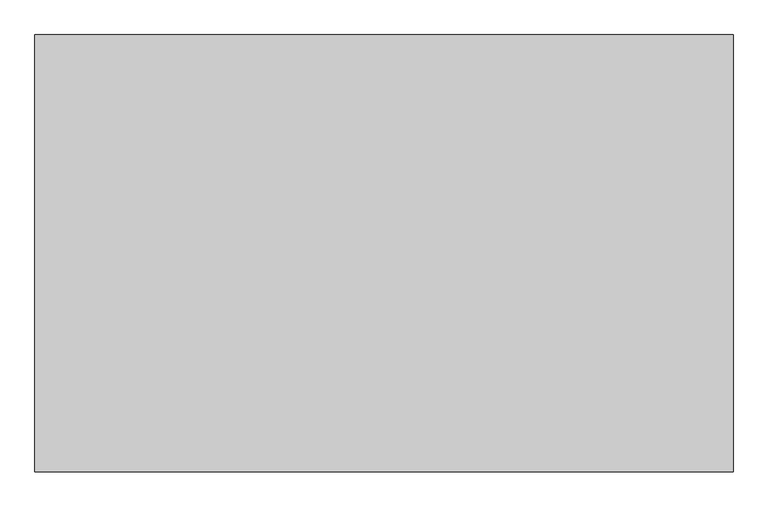
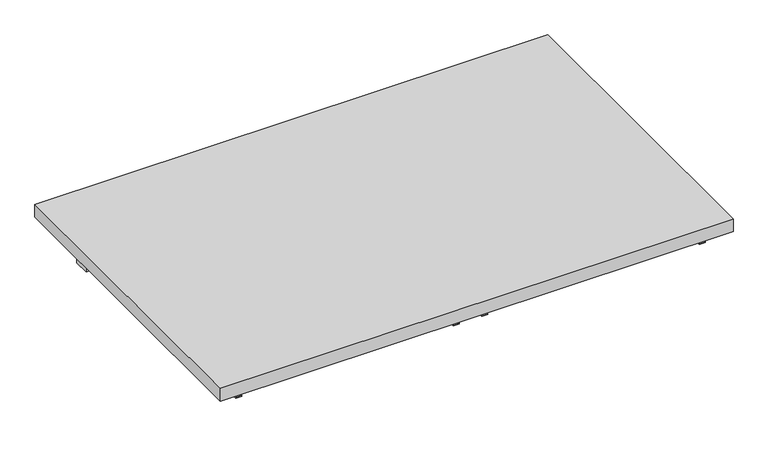
"""IFC4 building model written with IfcOpenShell, lengths in millimetres: furniture geometry."""

import ifcopenshell
import ifcopenshell.guid

model = None  # the IFC model being written
_history = None  # IfcOwnerHistory: only IFC2X3 demands one
_inside = {}  # id of a spatial element -> (the spatial element, [elements in it])
_under = {}  # id of a project, library or spatial element -> (it, [spatial elements below it])
_declared = {}  # id of a project -> (the project, [libraries it declares])
_typed = {}  # id of a type object -> (the type object, [elements of that type])
_made_of = {}  # id of a material, layer set ... -> (it, [elements and type objects made of it])


def new_model(schema):
    """Start an empty IFC model of exactly this schema.

    Asked for "IFC4X3", IfcOpenShell would pick the latest addendum, in which some entities
    have other attributes; the version numbers below select the first issue.
    IFC2X3 requires an IfcOwnerHistory on every rooted entity: one is made here for all.
    """
    global model, _history
    if schema == "IFC4X3":
        model = ifcopenshell.file(schema_version=(4, 3, 0, 0))
    else:
        model = ifcopenshell.file(schema=schema)
    _inside.clear()
    _under.clear()
    _declared.clear()
    _typed.clear()
    _made_of.clear()
    _history = None
    if model.schema == "IFC2X3":
        org = make("IfcOrganization", Name="unknown")
        user = make(
            "IfcPersonAndOrganization",
            ThePerson=make("IfcPerson", FamilyName="unknown"),
            TheOrganization=org,
        )
        app = make(
            "IfcApplication",
            ApplicationDeveloper=org,
            Version="unknown",
            ApplicationFullName="unknown",
            ApplicationIdentifier="unknown",
        )
        _history = make(
            "IfcOwnerHistory",
            OwningUser=user,
            OwningApplication=app,
            ChangeAction="ADDED",
            CreationDate=0,
        )
    return model


def make(cls, **values):
    """One entity of the class cls with the attributes given. An attribute that is None is left unset."""
    return model.create_entity(
        cls, **{name: value for name, value in values.items() if value is not None}
    )


def rooted(cls, **values):
    """An entity with a GlobalId (a new one), such as an element, a storey or a relation."""
    return make(cls, GlobalId=ifcopenshell.guid.new(), OwnerHistory=_history, **values)


def si_unit(unit_type, name, prefix=None):
    """IfcSIUnit, for example si_unit("LENGTHUNIT", "METRE", prefix="MILLI")."""
    return make("IfcSIUnit", UnitType=unit_type, Prefix=prefix, Name=name)


def assignment(units):
    """IfcUnitAssignment: the units of a project."""
    return None if units is None else make("IfcUnitAssignment", Units=units)


def point(xyz):
    """IfcCartesianPoint."""
    return None if xyz is None else make("IfcCartesianPoint", Coordinates=xyz)


def direction(xyz):
    """IfcDirection."""
    return None if xyz is None else make("IfcDirection", DirectionRatios=xyz)


def frame(location, z_axis=None, x_axis=None):
    """IfcAxis2Placement3D, a coordinate frame: its origin and axes. An axis left out is left unset."""
    return make(
        "IfcAxis2Placement3D",
        Location=point(location),
        Axis=direction(z_axis),
        RefDirection=direction(x_axis),
    )


def origin():
    """The frame at (0, 0, 0) with its axes left unset."""
    return frame((0.0, 0.0, 0.0))


def place(relative_to, where):
    """IfcLocalPlacement: puts the frame where relative to a parent placement (None: the world)."""
    return make(
        "IfcLocalPlacement", PlacementRelTo=relative_to, RelativePlacement=where
    )


def context(
    kind, dimensions, precision=None, world=None, true_north=None, identifier=None
):
    """IfcGeometricRepresentationContext, for example the 3D "Model" context."""
    return make(
        "IfcGeometricRepresentationContext",
        ContextIdentifier=identifier,
        ContextType=kind,
        CoordinateSpaceDimension=dimensions,
        Precision=precision,
        WorldCoordinateSystem=world,
        TrueNorth=true_north,
    )


def project(units=None, contexts=None):
    """IfcProject with its units and contexts."""
    return rooted(
        "IfcProject",
        Name="project",
        RepresentationContexts=contexts,
        UnitsInContext=assignment(units),
    )


def spatial(cls, under=None, at=None, **own):
    """A site, building, storey or space (cls), placed at a placement, below another one or the project."""
    s = rooted(cls, ObjectPlacement=at, **own)
    if under is not None:
        _under.setdefault(under.id(), (under, []))[1].append(s)
    return s


def polyline(points):
    """IfcPolyline through the points."""
    return make("IfcPolyline", Points=[point(p) for p in points])


def outline(outer, holes=None, kind="AREA"):
    """IfcArbitraryClosedProfileDef: a profile drawn as a closed curve; with holes, ...WithVoids."""
    if holes is None:
        return make("IfcArbitraryClosedProfileDef", ProfileType=kind, OuterCurve=outer)
    return make(
        "IfcArbitraryProfileDefWithVoids",
        ProfileType=kind,
        OuterCurve=outer,
        InnerCurves=holes,
    )


def extrude(swept, where, along, depth):
    """IfcExtrudedAreaSolid: the profile swept, set in the frame where, extruded along a direction by depth."""
    return make(
        "IfcExtrudedAreaSolid",
        SweptArea=swept,
        Position=where,
        ExtrudedDirection=direction(along),
        Depth=depth,
    )


def shape(context_of_items, identifier, shape_type, items):
    """IfcShapeRepresentation: the items that make up one representation, for example the "Body"."""
    return make(
        "IfcShapeRepresentation",
        ContextOfItems=context_of_items,
        RepresentationIdentifier=identifier,
        RepresentationType=shape_type,
        Items=items,
    )


def source(mapping_origin, context_of_items, identifier, shape_type, items):
    """IfcRepresentationMap: a shape defined once, which mapped items show again and again."""
    return make(
        "IfcRepresentationMap",
        MappingOrigin=mapping_origin,
        MappedRepresentation=shape(context_of_items, identifier, shape_type, items),
    )


def transform(
    local_origin,
    x_axis=None,
    y_axis=None,
    z_axis=None,
    scale=None,
    scale2=None,
    scale3=None,
    uniform=True,
):
    """IfcCartesianTransformationOperator3D, or its non-uniform kind. x_axis, y_axis, z_axis: its Axis1, 2, 3."""
    if uniform:
        return make(
            "IfcCartesianTransformationOperator3D",
            Axis1=direction(x_axis),
            Axis2=direction(y_axis),
            LocalOrigin=point(local_origin),
            Scale=scale,
            Axis3=direction(z_axis),
        )
    return make(
        "IfcCartesianTransformationOperator3DnonUniform",
        Axis1=direction(x_axis),
        Axis2=direction(y_axis),
        LocalOrigin=point(local_origin),
        Scale=scale,
        Axis3=direction(z_axis),
        Scale2=scale2,
        Scale3=scale3,
    )


def mapped(mapping_source, mapping_target):
    """IfcMappedItem: shows the shape of a source again, moved by a transform."""
    return make(
        "IfcMappedItem", MappingSource=mapping_source, MappingTarget=mapping_target
    )


def made_of(thing, what):
    """Note that an element or type object is made of a material, layer set ...; save() writes the relation."""
    if what is not None:
        _made_of.setdefault(what.id(), (what, []))[1].append(thing)
    return thing


def element(
    cls,
    number,
    at=None,
    inside=None,
    cuts=None,
    type_object=None,
    material=None,
    context=None,
    identifier="Body",
    shape_type=None,
    held_by="IfcProductDefinitionShape",
    body=None,
    shapes=None,
    **own,
):
    """One element of the class cls, such as IfcWall. Its Tag is "e" and its number.

    at: its placement. inside: the storey or other place that contains it. cuts: it is an
    opening in that element (IfcRelVoidsElement). A single representation is given by context,
    identifier, shape_type and body (its items); several are given by shapes. held_by: the class
    of the entity that holds the representations. save() writes the other relations.
    """
    e = rooted(cls, Tag="e%d" % number, ObjectPlacement=at, **own)
    if body is not None:
        shapes = [shape(context, identifier, shape_type, body)]
    if shapes is not None:
        e.Representation = make(held_by, Representations=shapes)
    if inside is not None:
        _inside.setdefault(inside.id(), (inside, []))[1].append(e)
    if cuts is not None:
        rooted(
            "IfcRelVoidsElement", RelatingBuildingElement=cuts, RelatedOpeningElement=e
        )
    if type_object is not None:
        _typed.setdefault(type_object.id(), (type_object, []))[1].append(e)
    return made_of(e, material)


def aggregate(whole, parts):
    """IfcRelAggregates: a whole, such as a stair, and the parts it consists of."""
    return rooted("IfcRelAggregates", RelatingObject=whole, RelatedObjects=parts)


def save(model, path):
    """Write the relations noted so far, then the file.

    IfcRelAggregates (storeys below a building ...), IfcRelContainedInSpatialStructure (elements
    in a storey), IfcRelDefinesByType, IfcRelAssociatesMaterial and IfcRelDeclares: one each for
    every whole, place, type object, material and project.
    """
    for whole, parts in _under.values():
        aggregate(whole, parts)
    for where, things in _inside.values():
        rooted(
            "IfcRelContainedInSpatialStructure",
            RelatedElements=things,
            RelatingStructure=where,
        )
    for kind, things in _typed.values():
        rooted("IfcRelDefinesByType", RelatedObjects=things, RelatingType=kind)
    for what, things in _made_of.values():
        rooted("IfcRelAssociatesMaterial", RelatedObjects=things, RelatingMaterial=what)
    for by, libraries in _declared.values():
        rooted("IfcRelDeclares", RelatingContext=by, RelatedDefinitions=libraries)
    model.write(path)


def furniture_56562e4e(model_context):
    return source(origin(), model_context, "Body", "SweptSolid", [
        extrude(outline(polyline([(912.8125, 254.0), (912.8125, -508.0), (-303.2125, -508.0), (-303.2125, 254.0), (912.8125, 254.0)])), frame((0.0, 0.0, 933.45), z_axis=(0.0, 0.0, 1.0), x_axis=(1.0, 0.0, 0.0)), (0.0, 0.0, 1.0), 31.75),
        extrude(outline(polyline([(879.475, 139.7), (879.475, 101.6), (-269.875, 101.6), (-269.875, 139.7), (879.475, 139.7)])), frame((0.0, 0.0, 876.3), z_axis=(0.0, 0.0, 1.0), x_axis=(1.0, 0.0, 0.0)), (0.0, 0.0, 1.0), 57.15),
        extrude(outline(polyline([(909.6375, 333.375), (933.45, 333.375), (933.45, 331.7875), (908.05, 331.7875), (908.05, 346.075), (909.6375, 346.075), (909.6375, 333.375)])), frame((0.0, -482.6, 0.0), z_axis=(0.0, 1.0, 0.0), x_axis=(0.0, 0.0, 1.0)), (0.0, 0.0, 1.0), 390.525),
        extrude(outline(polyline([(909.6375, 276.225), (909.6375, 263.525), (908.05, 263.525), (908.05, 277.8125), (933.45, 277.8125), (933.45, 276.225), (909.6375, 276.225)])), frame((0.0, -482.6, 0.0), z_axis=(0.0, 1.0, 0.0), x_axis=(0.0, 0.0, 1.0)), (0.0, 0.0, 1.0), 390.525),
        extrude(outline(polyline([(909.6375, -250.825), (933.45, -250.825), (933.45, -252.4125), (908.05, -252.4125), (908.05, -238.125), (909.6375, -238.125), (909.6375, -250.825)])), frame((0.0, -482.6, 0.0), z_axis=(0.0, 1.0, 0.0), x_axis=(0.0, 0.0, 1.0)), (0.0, 0.0, 1.0), 390.525),
        extrude(outline(polyline([(909.6375, 860.425), (909.6375, 847.725), (908.05, 847.725), (908.05, 862.0125), (933.45, 862.0125), (933.45, 860.425), (909.6375, 860.425)])), frame((0.0, -482.6, 0.0), z_axis=(0.0, 1.0, 0.0), x_axis=(0.0, 0.0, 1.0)), (0.0, 0.0, 1.0), 390.525),
    ])


if __name__ == "__main__":
    model = new_model("IFC4")
    model_context = context("Model", 3, world=origin())
    ifc_project = project(units=[si_unit("LENGTHUNIT", "METRE", prefix="MILLI")], contexts=[model_context])
    site = spatial("IfcSite", under=ifc_project)
    building = spatial("IfcBuilding", under=site)
    placement = place(None, origin())
    furniture_shape = furniture_56562e4e(model_context)
    element("IfcFurniture", 1, at=placement, inside=building, context=model_context, shape_type="MappedRepresentation", body=[
        mapped(furniture_shape, transform((0.0, 0.0, 0.0), x_axis=(1.0, 0.0, 0.0), y_axis=(0.0, 1.0, 0.0), z_axis=(0.0, 0.0, 1.0))),
    ])
    save(model, "model.ifc")
